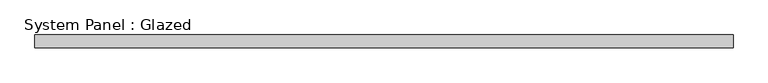
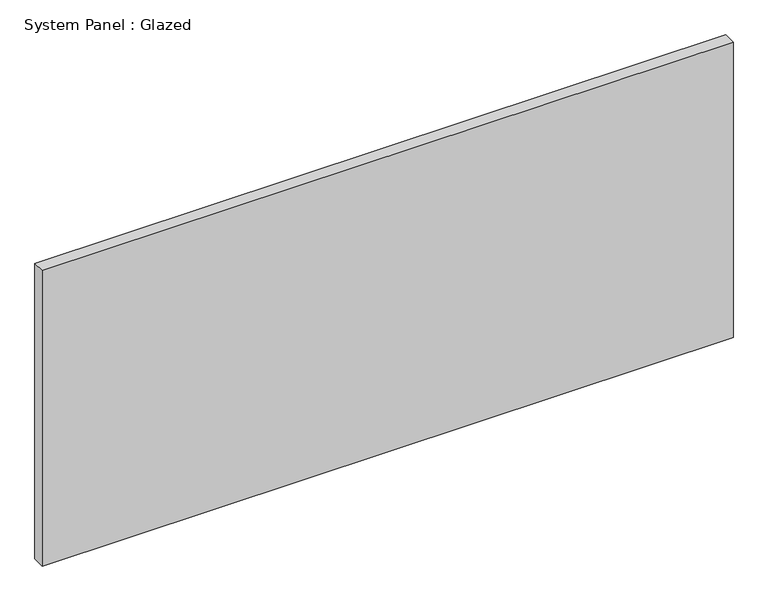
"""IFC4 building model written with IfcOpenShell, lengths in millimetres: plate geometry, System Panel : Glazed."""

import ifcopenshell
import ifcopenshell.guid

model = None  # the IFC model being written
_history = None  # IfcOwnerHistory: only IFC2X3 demands one
_inside = {}  # id of a spatial element -> (the spatial element, [elements in it])
_under = {}  # id of a project, library or spatial element -> (it, [spatial elements below it])
_declared = {}  # id of a project -> (the project, [libraries it declares])
_typed = {}  # id of a type object -> (the type object, [elements of that type])
_made_of = {}  # id of a material, layer set ... -> (it, [elements and type objects made of it])


def new_model(schema):
    """Start an empty IFC model of exactly this schema.

    Asked for "IFC4X3", IfcOpenShell would pick the latest addendum, in which some entities
    have other attributes; the version numbers below select the first issue.
    IFC2X3 requires an IfcOwnerHistory on every rooted entity: one is made here for all.
    """
    global model, _history
    if schema == "IFC4X3":
        model = ifcopenshell.file(schema_version=(4, 3, 0, 0))
    else:
        model = ifcopenshell.file(schema=schema)
    _inside.clear()
    _under.clear()
    _declared.clear()
    _typed.clear()
    _made_of.clear()
    _history = None
    if model.schema == "IFC2X3":
        org = make("IfcOrganization", Name="unknown")
        user = make(
            "IfcPersonAndOrganization",
            ThePerson=make("IfcPerson", FamilyName="unknown"),
            TheOrganization=org,
        )
        app = make(
            "IfcApplication",
            ApplicationDeveloper=org,
            Version="unknown",
            ApplicationFullName="unknown",
            ApplicationIdentifier="unknown",
        )
        _history = make(
            "IfcOwnerHistory",
            OwningUser=user,
            OwningApplication=app,
            ChangeAction="ADDED",
            CreationDate=0,
        )
    return model


def make(cls, **values):
    """One entity of the class cls with the attributes given. An attribute that is None is left unset."""
    return model.create_entity(
        cls, **{name: value for name, value in values.items() if value is not None}
    )


def rooted(cls, **values):
    """An entity with a GlobalId (a new one), such as an element, a storey or a relation."""
    return make(cls, GlobalId=ifcopenshell.guid.new(), OwnerHistory=_history, **values)


def si_unit(unit_type, name, prefix=None):
    """IfcSIUnit, for example si_unit("LENGTHUNIT", "METRE", prefix="MILLI")."""
    return make("IfcSIUnit", UnitType=unit_type, Prefix=prefix, Name=name)


def assignment(units):
    """IfcUnitAssignment: the units of a project."""
    return None if units is None else make("IfcUnitAssignment", Units=units)


def point(xyz):
    """IfcCartesianPoint."""
    return None if xyz is None else make("IfcCartesianPoint", Coordinates=xyz)


def direction(xyz):
    """IfcDirection."""
    return None if xyz is None else make("IfcDirection", DirectionRatios=xyz)


def frame(location, z_axis=None, x_axis=None):
    """IfcAxis2Placement3D, a coordinate frame: its origin and axes. An axis left out is left unset."""
    return make(
        "IfcAxis2Placement3D",
        Location=point(location),
        Axis=direction(z_axis),
        RefDirection=direction(x_axis),
    )


def origin():
    """The frame at (0, 0, 0) with its axes left unset."""
    return frame((0.0, 0.0, 0.0))


def origin_with_axes():
    """The frame at (0, 0, 0) with the z axis (0, 0, 1) and the x axis (1, 0, 0) written out."""
    return frame((0.0, 0.0, 0.0), z_axis=(0.0, 0.0, 1.0), x_axis=(1.0, 0.0, 0.0))


def place(relative_to, where):
    """IfcLocalPlacement: puts the frame where relative to a parent placement (None: the world)."""
    return make(
        "IfcLocalPlacement", PlacementRelTo=relative_to, RelativePlacement=where
    )


def context(
    kind, dimensions, precision=None, world=None, true_north=None, identifier=None
):
    """IfcGeometricRepresentationContext, for example the 3D "Model" context."""
    return make(
        "IfcGeometricRepresentationContext",
        ContextIdentifier=identifier,
        ContextType=kind,
        CoordinateSpaceDimension=dimensions,
        Precision=precision,
        WorldCoordinateSystem=world,
        TrueNorth=true_north,
    )


def project(units=None, contexts=None):
    """IfcProject with its units and contexts."""
    return rooted(
        "IfcProject",
        Name="project",
        RepresentationContexts=contexts,
        UnitsInContext=assignment(units),
    )


def spatial(cls, under=None, at=None, **own):
    """A site, building, storey or space (cls), placed at a placement, below another one or the project."""
    s = rooted(cls, ObjectPlacement=at, **own)
    if under is not None:
        _under.setdefault(under.id(), (under, []))[1].append(s)
    return s


def polyline(points):
    """IfcPolyline through the points."""
    return make("IfcPolyline", Points=[point(p) for p in points])


def outline(outer, holes=None, kind="AREA"):
    """IfcArbitraryClosedProfileDef: a profile drawn as a closed curve; with holes, ...WithVoids."""
    if holes is None:
        return make("IfcArbitraryClosedProfileDef", ProfileType=kind, OuterCurve=outer)
    return make(
        "IfcArbitraryProfileDefWithVoids",
        ProfileType=kind,
        OuterCurve=outer,
        InnerCurves=holes,
    )


def extrude(swept, where, along, depth):
    """IfcExtrudedAreaSolid: the profile swept, set in the frame where, extruded along a direction by depth."""
    return make(
        "IfcExtrudedAreaSolid",
        SweptArea=swept,
        Position=where,
        ExtrudedDirection=direction(along),
        Depth=depth,
    )


def shape(context_of_items, identifier, shape_type, items):
    """IfcShapeRepresentation: the items that make up one representation, for example the "Body"."""
    return make(
        "IfcShapeRepresentation",
        ContextOfItems=context_of_items,
        RepresentationIdentifier=identifier,
        RepresentationType=shape_type,
        Items=items,
    )


def source(mapping_origin, context_of_items, identifier, shape_type, items):
    """IfcRepresentationMap: a shape defined once, which mapped items show again and again."""
    return make(
        "IfcRepresentationMap",
        MappingOrigin=mapping_origin,
        MappedRepresentation=shape(context_of_items, identifier, shape_type, items),
    )


def transform(
    local_origin,
    x_axis=None,
    y_axis=None,
    z_axis=None,
    scale=None,
    scale2=None,
    scale3=None,
    uniform=True,
):
    """IfcCartesianTransformationOperator3D, or its non-uniform kind. x_axis, y_axis, z_axis: its Axis1, 2, 3."""
    if uniform:
        return make(
            "IfcCartesianTransformationOperator3D",
            Axis1=direction(x_axis),
            Axis2=direction(y_axis),
            LocalOrigin=point(local_origin),
            Scale=scale,
            Axis3=direction(z_axis),
        )
    return make(
        "IfcCartesianTransformationOperator3DnonUniform",
        Axis1=direction(x_axis),
        Axis2=direction(y_axis),
        LocalOrigin=point(local_origin),
        Scale=scale,
        Axis3=direction(z_axis),
        Scale2=scale2,
        Scale3=scale3,
    )


def mapped(mapping_source, mapping_target):
    """IfcMappedItem: shows the shape of a source again, moved by a transform."""
    return make(
        "IfcMappedItem", MappingSource=mapping_source, MappingTarget=mapping_target
    )


def made_of(thing, what):
    """Note that an element or type object is made of a material, layer set ...; save() writes the relation."""
    if what is not None:
        _made_of.setdefault(what.id(), (what, []))[1].append(thing)
    return thing


def element(
    cls,
    number,
    at=None,
    inside=None,
    cuts=None,
    type_object=None,
    material=None,
    context=None,
    identifier="Body",
    shape_type=None,
    held_by="IfcProductDefinitionShape",
    body=None,
    shapes=None,
    **own,
):
    """One element of the class cls, such as IfcWall. Its Tag is "e" and its number.

    at: its placement. inside: the storey or other place that contains it. cuts: it is an
    opening in that element (IfcRelVoidsElement). A single representation is given by context,
    identifier, shape_type and body (its items); several are given by shapes. held_by: the class
    of the entity that holds the representations. save() writes the other relations.
    """
    e = rooted(cls, Tag="e%d" % number, ObjectPlacement=at, **own)
    if body is not None:
        shapes = [shape(context, identifier, shape_type, body)]
    if shapes is not None:
        e.Representation = make(held_by, Representations=shapes)
    if inside is not None:
        _inside.setdefault(inside.id(), (inside, []))[1].append(e)
    if cuts is not None:
        rooted(
            "IfcRelVoidsElement", RelatingBuildingElement=cuts, RelatedOpeningElement=e
        )
    if type_object is not None:
        _typed.setdefault(type_object.id(), (type_object, []))[1].append(e)
    return made_of(e, material)


def aggregate(whole, parts):
    """IfcRelAggregates: a whole, such as a stair, and the parts it consists of."""
    return rooted("IfcRelAggregates", RelatingObject=whole, RelatedObjects=parts)


def save(model, path):
    """Write the relations noted so far, then the file.

    IfcRelAggregates (storeys below a building ...), IfcRelContainedInSpatialStructure (elements
    in a storey), IfcRelDefinesByType, IfcRelAssociatesMaterial and IfcRelDeclares: one each for
    every whole, place, type object, material and project.
    """
    for whole, parts in _under.values():
        aggregate(whole, parts)
    for where, things in _inside.values():
        rooted(
            "IfcRelContainedInSpatialStructure",
            RelatedElements=things,
            RelatingStructure=where,
        )
    for kind, things in _typed.values():
        rooted("IfcRelDefinesByType", RelatedObjects=things, RelatingType=kind)
    for what, things in _made_of.values():
        rooted("IfcRelAssociatesMaterial", RelatedObjects=things, RelatingMaterial=what)
    for by, libraries in _declared.values():
        rooted("IfcRelDeclares", RelatingContext=by, RelatedDefinitions=libraries)
    model.write(path)


def system_panel_glazed_e001258b(model_context):
    return source(origin(), model_context, "Body", "SweptSolid", [
        extrude(outline(polyline([(690.8333333, 24.5), (-690.8333333, 24.5), (-690.8333333, 49.5), (690.8333333, 49.5), (690.8333333, 24.5)])), origin_with_axes(), (0.0, 0.0, 1.0), 625.0),
    ])


if __name__ == "__main__":
    model = new_model("IFC4")
    model_context = context("Model", 3, world=origin())
    ifc_project = project(units=[si_unit("LENGTHUNIT", "METRE", prefix="MILLI")], contexts=[model_context])
    site = spatial("IfcSite", under=ifc_project)
    building = spatial("IfcBuilding", under=site)
    placement = place(None, origin())
    system_panel_glazed_shape = system_panel_glazed_e001258b(model_context)
    element("IfcPlate", 1, ObjectType="System Panel : Glazed", at=placement, inside=building, context=model_context, shape_type="MappedRepresentation", body=[
        mapped(system_panel_glazed_shape, transform((0.0, 0.0, 0.0), x_axis=(1.0, 0.0, 0.0), y_axis=(0.0, 1.0, 0.0), z_axis=(0.0, 0.0, 1.0))),
    ])
    save(model, "model.ifc")
